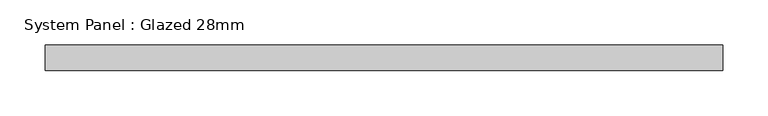
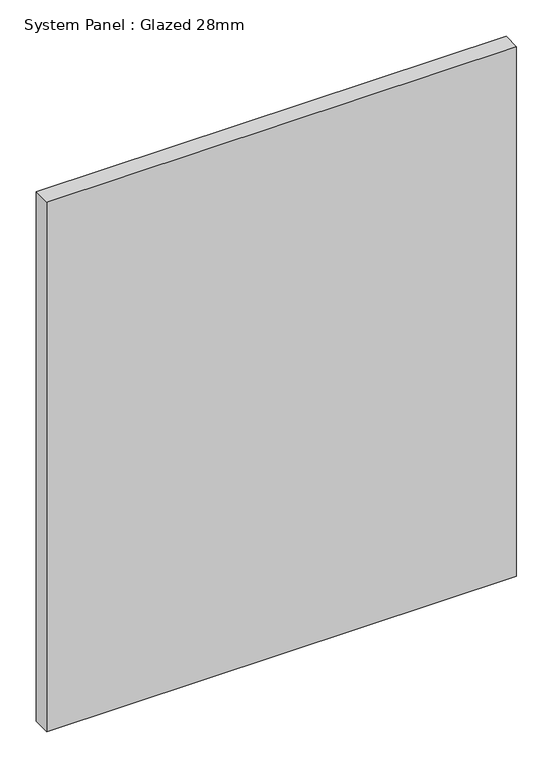
"""IFC4 building model written with IfcOpenShell, lengths in millimetres: plate geometry, System Panel : Glazed 28mm."""

from ifc_helpers import new_model, si_unit, origin, origin_with_axes, place, context, project, spatial, polyline, outline, extrude, source, transform, mapped, element, save


def system_panel_glazed_28mm_91bfa8bb(model_context):
    return source(origin(), model_context, "Body", "SweptSolid", [
        extrude(outline(polyline([(372.5468442, -14.0), (-372.5468442, -14.0), (-372.5468442, 14.0), (372.5468442, 14.0), (372.5468442, -14.0)])), origin_with_axes(), (0.0, 0.0, 1.0), 887.6849317),
    ])


if __name__ == "__main__":
    model = new_model("IFC4")
    model_context = context("Model", 3, world=origin())
    ifc_project = project(units=[si_unit("LENGTHUNIT", "METRE", prefix="MILLI")], contexts=[model_context])
    site = spatial("IfcSite", under=ifc_project)
    building = spatial("IfcBuilding", under=site)
    placement = place(None, origin())
    system_panel_glazed_28mm_shape = system_panel_glazed_28mm_91bfa8bb(model_context)
    element("IfcPlate", 1, ObjectType="System Panel : Glazed 28mm", at=placement, inside=building, context=model_context, shape_type="MappedRepresentation", body=[
        mapped(system_panel_glazed_28mm_shape, transform((0.0, 0.0, 0.0), x_axis=(1.0, 0.0, 0.0), y_axis=(0.0, 1.0, 0.0), z_axis=(0.0, 0.0, 1.0))),
    ])
    save(model, "model.ifc")
